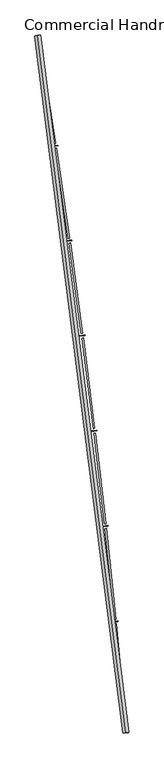
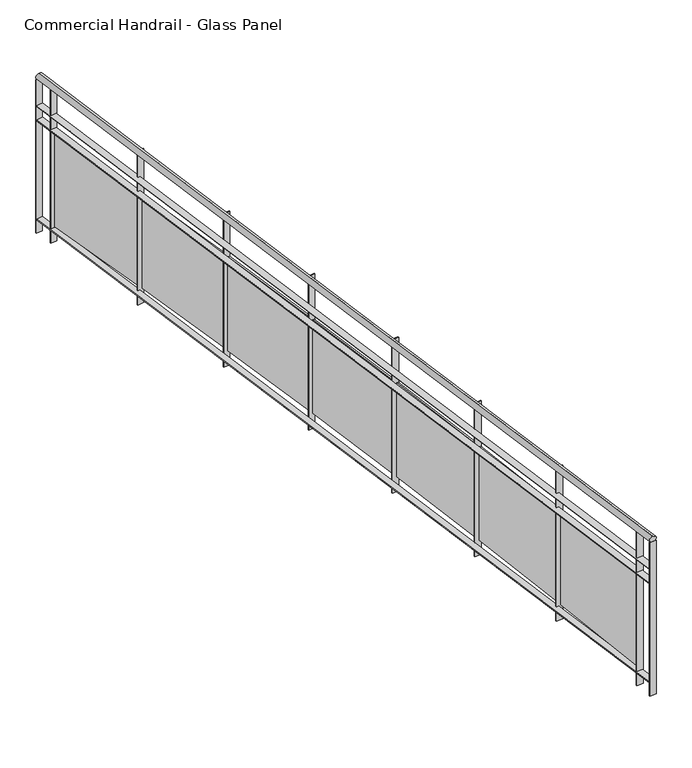
"""IFC4 building model written with IfcOpenShell, lengths in millimetres: railing geometry, Commercial Handrail - Glass Panel."""

from ifc_helpers import new_model, si_unit, point, frame, origin, place, context, project, spatial, polyline, circle_curve, ellipse_curve, trimmed, outline, extrude, source, transform, mapped, element, save
from ifc_brep_helpers import plane_surface, cylinder_surface, revolved_surface, advanced_brep


def commercial_handrail_glass_panel_f3e38711(model_context):
    return source(origin(), model_context, "Body", "SolidModel", [
        advanced_brep(
        [(182571.9295754, -52879.5364282, 23082.5), (181834.8110467, -47067.1917957, 23082.5), (181834.8110467, -47067.1917957, 23117.5), (182571.9295754, -52879.5364282, 23117.5)],
        [
            (0, 1, circle_curve(frame((104368.4569212, -59844.3474174, 23082.5), z_axis=(0.0, 0.0, 1.0), x_axis=(0.9866690945138685, 0.16273935581531185, 0.0)), 78513.0035554)),
            (1, 2, ellipse_curve(frame((181834.8110467, -47067.1917957, 23100.0), z_axis=(0.16273935581530558, -0.9866690945138697, 0.0), x_axis=(-0.9866690945138695, -0.16273935581530555, 0.0)), 25.0, 17.5)),
            (2, 3, circle_curve(frame((104368.4569212, -59844.3474174, 23117.5), z_axis=(0.0, 0.0, -1.0), x_axis=(0.9866690945138685, 0.16273935581531185, 0.0)), 78513.0035554)),
            (3, 0, ellipse_curve(frame((182571.9295754, -52879.5364282, 23100.0), z_axis=(-0.08870901218759285, 0.9960575842574071, 0.0), x_axis=(-0.9960575842574071, -0.08870901218759285, 0.0)), 25.0, 17.5)),
            (2, 1, ellipse_curve(frame((181834.8110467, -47067.1917957, 23100.0), z_axis=(0.16273935581530558, -0.9866690945138697, 0.0), x_axis=(-0.9866690945138695, -0.16273935581530555, 0.0)), 25.0, 17.5)),
            (0, 3, ellipse_curve(frame((182571.9295754, -52879.5364282, 23100.0), z_axis=(-0.08870901218759285, 0.9960575842574071, 0.0), x_axis=(-0.9960575842574071, -0.08870901218759285, 0.0)), 25.0, 17.5)),
        ],
        [
            revolved_surface(trimmed(ellipse_curve(frame((181834.8110467, -47067.1917957, 23100.0), z_axis=(-0.16273935581531185, 0.9866690945138685, 0.0), x_axis=(0.0, 0.0, -1.0)), 17.5, 25.0), [point((181834.8110467, -47067.1917957, 23117.5))], [point((181834.8110467, -47067.1917957, 23082.5))], True, "CARTESIAN"), (104368.4569212, -59844.3474174, 23100.0), (0.0, 0.0, -1.0)),
            revolved_surface(trimmed(ellipse_curve(frame((181834.8110467, -47067.1917957, 23100.0), z_axis=(-0.16273935581531185, 0.9866690945138685, 0.0), x_axis=(0.0, 0.0, -1.0)), 17.5, 25.0), [point((181834.8110467, -47067.1917957, 23082.5))], [point((181834.8110467, -47067.1917957, 23117.5))], True, "CARTESIAN"), (104368.4569212, -59844.3474174, 23100.0), (0.0, 0.0, -1.0)),
            plane_surface(frame((181834.8110467, -47067.1917957, 23100.0), z_axis=(-0.16273935581531188, 0.9866690945138686, 0.0), x_axis=(0.9866690945138686, 0.16273935581531188, 0.0))),
            plane_surface(frame((182571.9295754, -52879.5364282, 23100.0), z_axis=(0.08870901218759289, -0.9960575842574071, 0.0), x_axis=(0.9960575842574071, 0.08870901218759289, 0.0))),
        ],
        [
            (0, [[1, 2, 3, 4]]),
            (1, [[-3, 5, -1, 6]]),
            (2, [[-2, -5]]),
            (3, [[-6, -4]]),
        ],
    ),
        advanced_brep(
        [(182594.340871, -52877.5404754, 22900.0), (181857.0111014, -47063.5301602, 22900.0), (181812.6109921, -47070.8534312, 22900.0), (182549.5182797, -52881.5323809, 22900.0), (182594.340871, -52877.5404754, 22894.0), (181857.0111014, -47063.5301602, 22894.0), (182549.5182797, -52881.5323809, 22894.0), (181812.6109921, -47070.8534312, 22894.0)],
        [
            (0, 1, circle_curve(frame((104368.4569212, -59844.3474174, 22900.0), z_axis=(0.0, 0.0, 1.0), x_axis=(0.9866690945138685, 0.16273935581531185, 0.0)), 78535.5035554)),
            (1, 2),
            (2, 3, circle_curve(frame((104368.4569212, -59844.3474174, 22900.0), z_axis=(0.0, 0.0, -1.0), x_axis=(0.9866690945138685, 0.16273935581531185, 0.0)), 78490.5035554)),
            (3, 0),
            (4, 5, circle_curve(frame((104368.4569212, -59844.3474174, 22894.0), z_axis=(0.0, 0.0, 1.0), x_axis=(0.9866690945138685, 0.16273935581531185, 0.0)), 78535.5035554)),
            (5, 1),
            (0, 4),
            (6, 7, circle_curve(frame((104368.4569212, -59844.3474174, 22894.0), z_axis=(0.0, 0.0, 1.0), x_axis=(0.9866690945138685, 0.16273935581531185, 0.0)), 78490.5035554)),
            (7, 5),
            (4, 6),
            (2, 7),
            (6, 3),
        ],
        [
            plane_surface(frame((104368.4569212, -59844.3474174, 22900.0), z_axis=(0.0, 0.0, 1.0000000000000002), x_axis=(0.9866690945138686, 0.16273935581531188, 0.0))),
            cylinder_surface(frame((104368.4569212, -59844.3474174, 22900.0), z_axis=(0.0, 0.0, -1.0), x_axis=(0.9866690945138685, 0.16273935581531185, 0.0)), 78535.5035554),
            plane_surface(frame((104368.4569212, -59844.3474174, 22894.0), z_axis=(0.0, 0.0, -1.0000000000000002), x_axis=(0.9866690945138686, 0.16273935581531188, 0.0))),
            revolved_surface(polyline([(181812.6109921441, -47070.85343117476, 22894.0), (181812.6109921441, -47070.85343117476, 22900.0)]), (104368.4569212, -59844.3474174, 22900.0), (0.0, 0.0, -1.0)),
            plane_surface(frame((181834.8110467, -47067.1917957, 22900.0), z_axis=(-0.16273935581531188, 0.9866690945138686, 0.0), x_axis=(0.9866690945138686, 0.16273935581531188, 0.0))),
            plane_surface(frame((182571.9295754, -52879.5364282, 22900.0), z_axis=(0.08870901218759289, -0.9960575842574071, 0.0), x_axis=(0.9960575842574071, 0.08870901218759289, 0.0))),
        ],
        [
            (0, [[1, 2, 3, 4]]),
            (1, [[5, 6, -1, 7]]),
            (2, [[8, 9, -5, 10]]),
            (3, [[-3, 11, -8, 12]]),
            (4, [[-2, -6, -9, -11]]),
            (5, [[-12, -10, -7, -4]]),
        ],
    ),
        advanced_brep(
        [(182594.340871, -52877.5404754, 22800.0), (181857.0111014, -47063.5301602, 22800.0), (181812.6109921, -47070.8534312, 22800.0), (182549.5182797, -52881.5323809, 22800.0), (182594.340871, -52877.5404754, 22794.0), (181857.0111014, -47063.5301602, 22794.0), (182549.5182797, -52881.5323809, 22794.0), (181812.6109921, -47070.8534312, 22794.0)],
        [
            (0, 1, circle_curve(frame((104368.4569212, -59844.3474174, 22800.0), z_axis=(0.0, 0.0, 1.0), x_axis=(0.9866690945138685, 0.16273935581531185, 0.0)), 78535.5035554)),
            (1, 2),
            (2, 3, circle_curve(frame((104368.4569212, -59844.3474174, 22800.0), z_axis=(0.0, 0.0, -1.0), x_axis=(0.9866690945138685, 0.16273935581531185, 0.0)), 78490.5035554)),
            (3, 0),
            (4, 5, circle_curve(frame((104368.4569212, -59844.3474174, 22794.0), z_axis=(0.0, 0.0, 1.0), x_axis=(0.9866690945138685, 0.16273935581531185, 0.0)), 78535.5035554)),
            (5, 1),
            (0, 4),
            (6, 7, circle_curve(frame((104368.4569212, -59844.3474174, 22794.0), z_axis=(0.0, 0.0, 1.0), x_axis=(0.9866690945138685, 0.16273935581531185, 0.0)), 78490.5035554)),
            (7, 5),
            (4, 6),
            (2, 7),
            (6, 3),
        ],
        [
            plane_surface(frame((104368.4569212, -59844.3474174, 22800.0), z_axis=(0.0, 0.0, 1.0000000000000002), x_axis=(0.9866690945138686, 0.16273935581531188, 0.0))),
            cylinder_surface(frame((104368.4569212, -59844.3474174, 22800.0), z_axis=(0.0, 0.0, -1.0), x_axis=(0.9866690945138685, 0.16273935581531185, 0.0)), 78535.5035554),
            plane_surface(frame((104368.4569212, -59844.3474174, 22794.0), z_axis=(0.0, 0.0, -1.0000000000000002), x_axis=(0.9866690945138686, 0.16273935581531188, 0.0))),
            revolved_surface(polyline([(181812.6109921441, -47070.85343117476, 22794.0), (181812.6109921441, -47070.85343117476, 22800.0)]), (104368.4569212, -59844.3474174, 22800.0), (0.0, 0.0, -1.0)),
            plane_surface(frame((181834.8110467, -47067.1917957, 22800.0), z_axis=(-0.16273935581531188, 0.9866690945138686, 0.0), x_axis=(0.9866690945138686, 0.16273935581531188, 0.0))),
            plane_surface(frame((182571.9295754, -52879.5364282, 22800.0), z_axis=(0.08870901218759289, -0.9960575842574071, 0.0), x_axis=(0.9960575842574071, 0.08870901218759289, 0.0))),
        ],
        [
            (0, [[1, 2, 3, 4]]),
            (1, [[5, 6, -1, 7]]),
            (2, [[8, 9, -5, 10]]),
            (3, [[-3, 11, -8, 12]]),
            (4, [[-2, -6, -9, -11]]),
            (5, [[-12, -10, -7, -4]]),
        ],
    ),
        advanced_brep(
        [(182594.340871, -52877.5404754, 22100.0), (181857.0111014, -47063.5301602, 22100.0), (181812.6109921, -47070.8534312, 22100.0), (182549.5182797, -52881.5323809, 22100.0), (182594.340871, -52877.5404754, 22094.0), (181857.0111014, -47063.5301602, 22094.0), (182549.5182797, -52881.5323809, 22094.0), (181812.6109921, -47070.8534312, 22094.0)],
        [
            (0, 1, circle_curve(frame((104368.4569212, -59844.3474174, 22100.0), z_axis=(0.0, 0.0, 1.0), x_axis=(0.9866690945138685, 0.16273935581531185, 0.0)), 78535.5035554)),
            (1, 2),
            (2, 3, circle_curve(frame((104368.4569212, -59844.3474174, 22100.0), z_axis=(0.0, 0.0, -1.0), x_axis=(0.9866690945138685, 0.16273935581531185, 0.0)), 78490.5035554)),
            (3, 0),
            (4, 5, circle_curve(frame((104368.4569212, -59844.3474174, 22094.0), z_axis=(0.0, 0.0, 1.0), x_axis=(0.9866690945138685, 0.16273935581531185, 0.0)), 78535.5035554)),
            (5, 1),
            (0, 4),
            (6, 7, circle_curve(frame((104368.4569212, -59844.3474174, 22094.0), z_axis=(0.0, 0.0, 1.0), x_axis=(0.9866690945138685, 0.16273935581531185, 0.0)), 78490.5035554)),
            (7, 5),
            (4, 6),
            (2, 7),
            (6, 3),
        ],
        [
            plane_surface(frame((104368.4569212, -59844.3474174, 22100.0), z_axis=(0.0, 0.0, 1.0000000000000002), x_axis=(0.9866690945138686, 0.16273935581531188, 0.0))),
            cylinder_surface(frame((104368.4569212, -59844.3474174, 22100.0), z_axis=(0.0, 0.0, -1.0), x_axis=(0.9866690945138685, 0.16273935581531185, 0.0)), 78535.5035554),
            plane_surface(frame((104368.4569212, -59844.3474174, 22094.0), z_axis=(0.0, 0.0, -1.0000000000000002), x_axis=(0.9866690945138686, 0.16273935581531188, 0.0))),
            revolved_surface(polyline([(181812.6109921441, -47070.85343117476, 22094.0), (181812.6109921441, -47070.85343117476, 22100.0)]), (104368.4569212, -59844.3474174, 22100.0), (0.0, 0.0, -1.0)),
            plane_surface(frame((181834.8110467, -47067.1917957, 22100.0), z_axis=(-0.16273935581531188, 0.9866690945138686, 0.0), x_axis=(0.9866690945138686, 0.16273935581531188, 0.0))),
            plane_surface(frame((182571.9295754, -52879.5364282, 22100.0), z_axis=(0.08870901218759289, -0.9960575842574071, 0.0), x_axis=(0.9960575842574071, 0.08870901218759289, 0.0))),
        ],
        [
            (0, [[1, 2, 3, 4]]),
            (1, [[5, 6, -1, 7]]),
            (2, [[8, 9, -5, 10]]),
            (3, [[-3, 11, -8, 12]]),
            (4, [[-2, -6, -9, -11]]),
            (5, [[-12, -10, -7, -4]]),
        ],
    ),
        extrude(outline(polyline([(182537.5994721, -52748.9749653), (182582.4153855, -52744.9087751), (182582.9575442, -52750.8842302), (182538.1416308, -52754.9504204), (182537.5994721, -52748.9749653)])), frame((0.0, 0.0, 22000.0), z_axis=(0.0, 0.0, 1.0), x_axis=(1.0, 0.0, 0.0)), (0.0, 0.0, 1.0), 1082.1192282),
        extrude(outline(polyline([(182492.8282703, -51972.8214769), (182565.3569267, -52729.3527677), (182553.4116957, -52730.497957), (182480.8830394, -51973.9666662), (182492.8282703, -51972.8214769)])), frame((0.0, 0.0, 22120.0), z_axis=(0.0, 0.0, 1.0), x_axis=(1.0, 0.0, 0.0)), (0.0, 0.0, 1.0), 660.0),
        extrude(outline(polyline([(182461.2452987, -51952.8608143), (182506.0174543, -51948.3381961), (182506.6204701, -51954.3078168), (182461.8483144, -51958.830435), (182461.2452987, -51952.8608143)])), frame((0.0, 0.0, 22000.0), z_axis=(0.0, 0.0, 1.0), x_axis=(1.0, 0.0, 0.0)), (0.0, 0.0, 1.0), 1082.1192282),
        extrude(outline(polyline([(182408.5680235, -51177.2038007), (182488.8013774, -51932.9568086), (182476.8684352, -51934.223651), (182396.6350812, -51178.4706431), (182408.5680235, -51177.2038007)])), frame((0.0, 0.0, 22120.0), z_axis=(0.0, 0.0, 1.0), x_axis=(1.0, 0.0, 0.0)), (0.0, 0.0, 1.0), 660.0),
        extrude(outline(polyline([(182376.7833078, -51157.5659801), (182421.5070573, -51152.5874034), (182422.1708676, -51158.55057), (182377.447118, -51163.5291467), (182376.7833078, -51157.5659801)])), frame((0.0, 0.0, 22000.0), z_axis=(0.0, 0.0, 1.0), x_axis=(1.0, 0.0, 0.0)), (0.0, 0.0, 1.0), 1082.1192282),
        extrude(outline(polyline([(182316.2054283, -50382.4859723), (182404.1351498, -51137.3822327), (182392.2157352, -51138.7705968), (182304.2860136, -50383.8743363), (182316.2054283, -50382.4859723)])), frame((0.0, 0.0, 22120.0), z_axis=(0.0, 0.0, 1.0), x_axis=(1.0, 0.0, 0.0)), (0.0, 0.0, 1.0), 660.0),
        extrude(outline(polyline([(182284.2222685, -50363.1730325), (182328.8929686, -50357.7390141), (182329.6175044, -50363.6951075), (182284.9468043, -50369.1291258), (182284.2222685, -50363.1730325)])), frame((0.0, 0.0, 22000.0), z_axis=(0.0, 0.0, 1.0), x_axis=(1.0, 0.0, 0.0)), (0.0, 0.0, 1.0), 1082.1192282),
        extrude(outline(polyline([(182215.750074, -49588.7505014), (182311.3670341, -50342.711639), (182299.4623845, -50344.2213805), (182203.8454245, -49590.2602429), (182215.750074, -49588.7505014)])), frame((0.0, 0.0, 22120.0), z_axis=(0.0, 0.0, 1.0), x_axis=(1.0, 0.0, 0.0)), (0.0, 0.0, 1.0), 660.0),
        extrude(outline(polyline([(182183.5717908, -49569.7644476), (182228.1848036, -49563.8755518), (182228.9699897, -49569.8239535), (182184.3569769, -49575.7128493), (182183.5717908, -49569.7644476)])), frame((0.0, 0.0, 22000.0), z_axis=(0.0, 0.0, 1.0), x_axis=(1.0, 0.0, 0.0)), (0.0, 0.0, 1.0), 1082.1192282),
        extrude(outline(polyline([(182107.2123904, -48796.0797961), (182210.5066616, -49549.0275324), (182198.6180132, -49550.6584945), (182095.3237419, -48797.7107583), (182107.2123904, -48796.0797961)])), frame((0.0, 0.0, 22120.0), z_axis=(0.0, 0.0, 1.0), x_axis=(1.0, 0.0, 0.0)), (0.0, 0.0, 1.0), 660.0),
        extrude(outline(polyline([(182074.8423245, -48777.4225994), (182119.3930181, -48771.0794376), (182120.238773, -48777.0195301), (182075.6880794, -48783.3626919), (182074.8423245, -48777.4225994)])), frame((0.0, 0.0, 22000.0), z_axis=(0.0, 0.0, 1.0), x_axis=(1.0, 0.0, 0.0)), (0.0, 0.0, 1.0), 1082.1192282),
        extrude(outline(polyline([(181990.6036459, -48004.5561536), (182101.5645041, -48756.4123154), (182089.6930911, -48758.1643289), (181978.7322329, -48006.3081672), (181990.6036459, -48004.5561536)])), frame((0.0, 0.0, 22120.0), z_axis=(0.0, 0.0, 1.0), x_axis=(1.0, 0.0, 0.0)), (0.0, 0.0, 1.0), 660.0),
        extrude(outline(polyline([(181958.0451582, -47986.2297512), (182002.5289072, -47979.4329819), (182003.4351431, -47985.3641484), (181958.9513941, -47992.1609177), (181958.0451582, -47986.2297512)])), frame((0.0, 0.0, 22000.0), z_axis=(0.0, 0.0, 1.0), x_axis=(1.0, 0.0, 0.0)), (0.0, 0.0, 1.0), 1082.1192282),
        extrude(outline(polyline([(181865.9359474, -47214.2617523), (181984.5518723, -47964.9482797), (181972.6989271, -47966.8211627), (181854.0830022, -47216.1346353), (181865.9359474, -47214.2617523)])), frame((0.0, 0.0, 22120.0), z_axis=(0.0, 0.0, 1.0), x_axis=(1.0, 0.0, 0.0)), (0.0, 0.0, 1.0), 660.0),
        extrude(outline(polyline([(181833.1924181, -47196.2680467), (181877.6046042, -47189.0183756), (181878.571227, -47194.9400004), (181834.1590409, -47202.1896715), (181833.1924181, -47196.2680467)])), frame((0.0, 0.0, 22000.0), z_axis=(0.0, 0.0, 1.0), x_axis=(1.0, 0.0, 0.0)), (0.0, 0.0, 1.0), 1082.1192282),
        extrude(outline(polyline([(182549.2521527, -52878.5442082), (182594.074744, -52874.5523026), (182594.606998, -52880.5286481), (182549.7844067, -52884.5205537), (182549.2521527, -52878.5442082)])), frame((0.0, 0.0, 22000.0), z_axis=(0.0, 0.0, 1.0), x_axis=(1.0, 0.0, 0.0)), (0.0, 0.0, 1.0), 1082.1192282),
        extrude(outline(polyline([(181812.122774, -47067.8934239), (181856.5228833, -47060.5701529), (181857.4993194, -47066.4901675), (181813.0992102, -47073.8134385), (181812.122774, -47067.8934239)])), frame((0.0, 0.0, 22000.0), z_axis=(0.0, 0.0, 1.0), x_axis=(1.0, 0.0, 0.0)), (0.0, 0.0, 1.0), 1082.1192282),
    ])


if __name__ == "__main__":
    model = new_model("IFC4")
    model_context = context("Model", 3, world=origin())
    ifc_project = project(units=[si_unit("LENGTHUNIT", "METRE", prefix="MILLI")], contexts=[model_context])
    site = spatial("IfcSite", under=ifc_project)
    building = spatial("IfcBuilding", under=site)
    placement = place(None, origin())
    commercial_handrail_glass_panel_shape = commercial_handrail_glass_panel_f3e38711(model_context)
    element("IfcRailing", 1, ObjectType="Commercial Handrail - Glass Panel", at=placement, inside=building, context=model_context, shape_type="MappedRepresentation", body=[
        mapped(commercial_handrail_glass_panel_shape, transform((0.0, 0.0, 0.0), x_axis=(1.0, 0.0, 0.0), y_axis=(0.0, 1.0, 0.0), z_axis=(0.0, 0.0, 1.0))),
    ])
    save(model, "model.ifc")
